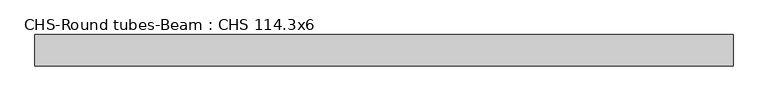
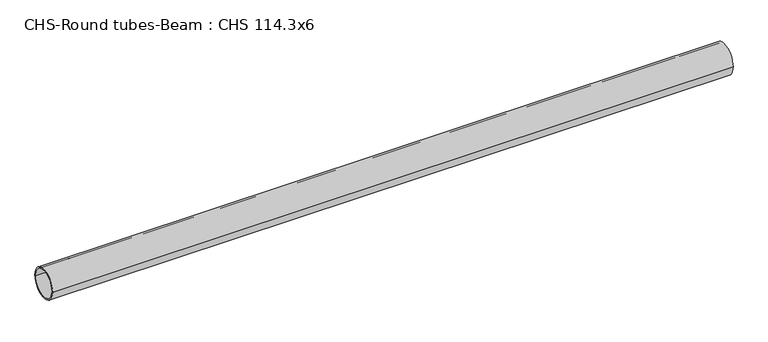
"""IFC4 building model written with IfcOpenShell, lengths in millimetres: beam geometry, CHS-Round tubes-Beam : CHS 114.3x6."""

from ifc_helpers import new_model, si_unit, point, frame, origin, origin_2d, place, context, project, spatial, circle_curve, trimmed, segment, composite_curve, outline, extrude, source, transform, mapped, element, save


def chs_round_tubes_beam_chs_114_3x6_8276fe1b(model_context):
    return source(origin(), model_context, "Body", "SweptSolid", [
        extrude(outline(composite_curve([segment(trimmed(circle_curve(origin_2d(), 57.15), [point((57.15, 0.0))], [point((-57.15, 0.0))], False, "CARTESIAN"), True, "CONTINUOUS"), segment(trimmed(circle_curve(origin_2d(), 57.15), [point((-57.15, 0.0))], [point((57.15, 0.0))], False, "CARTESIAN"), True, "CONTINUOUS")], self_intersect=False), holes=[composite_curve([segment(trimmed(circle_curve(origin_2d(), 51.15), [point((51.15, 0.0))], [point((-51.15, 0.0))], True, "CARTESIAN"), True, "CONTINUOUS"), segment(trimmed(circle_curve(origin_2d(), 51.15), [point((-51.15, 0.0))], [point((51.15, 0.0))], True, "CARTESIAN"), True, "CONTINUOUS")], self_intersect=False)]), frame((-1251.1939198, 0.0, 0.0), z_axis=(1.0, 0.0, 0.0), x_axis=(0.0, 1.0, 0.0)), (0.0, 0.0, 1.0), 2545.886973),
    ])


if __name__ == "__main__":
    model = new_model("IFC4")
    model_context = context("Model", 3, world=origin())
    ifc_project = project(units=[si_unit("LENGTHUNIT", "METRE", prefix="MILLI")], contexts=[model_context])
    site = spatial("IfcSite", under=ifc_project)
    building = spatial("IfcBuilding", under=site)
    placement = place(None, origin())
    chs_round_tubes_beam_chs_114_3x6_shape = chs_round_tubes_beam_chs_114_3x6_8276fe1b(model_context)
    element("IfcBeam", 1, ObjectType="CHS-Round tubes-Beam : CHS 114.3x6", at=placement, inside=building, context=model_context, shape_type="MappedRepresentation", body=[
        mapped(chs_round_tubes_beam_chs_114_3x6_shape, transform((0.0, 0.0, 0.0), x_axis=(1.0, 0.0, 0.0), y_axis=(0.0, 1.0, 0.0), z_axis=(0.0, 0.0, 1.0))),
    ])
    save(model, "model.ifc")
